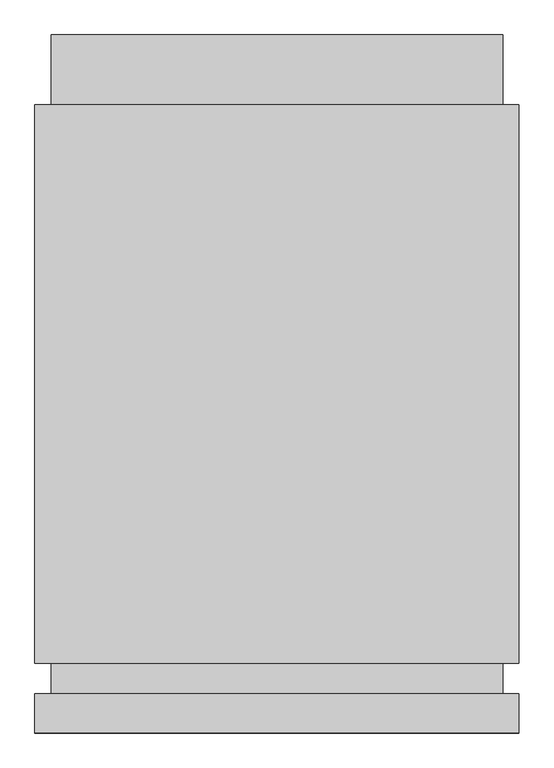
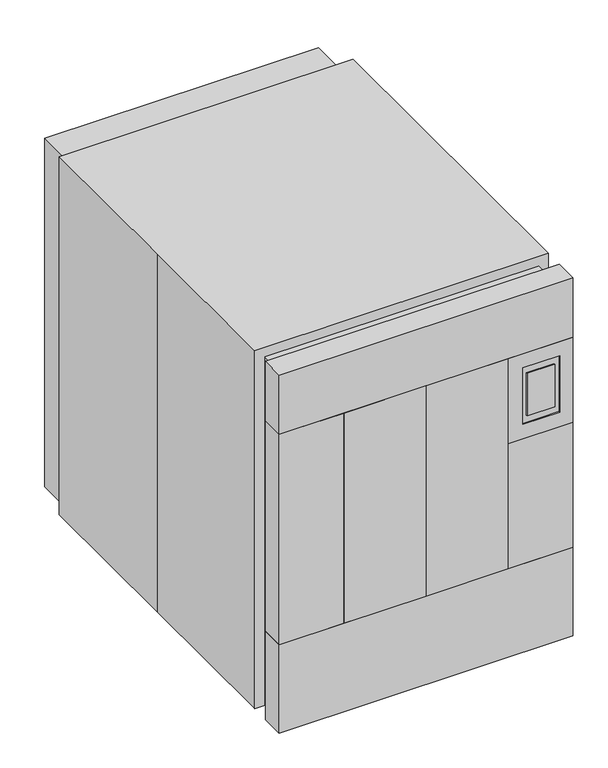
"""IFC4 building model written with IfcOpenShell, lengths in millimetres: proxy geometry."""

from ifc_helpers import new_model, si_unit, frame, origin, origin_with_axes, place, context, project, spatial, polyline, outline, extrude, faceted_brep, source, transform, mapped, element, save


def specialty_equipment_af0934ef(model_context):
    return source(origin(), model_context, "Body", "SolidModel", [
        extrude(outline(polyline([(0.0, -1079.5), (-419.1631749, -1079.5), (-419.1631749, -958.6794699), (0.0, -958.6794699), (0.0, -1079.5)])), frame((0.0, 0.0, 476.6664622), z_axis=(0.0, 0.0, 1.0), x_axis=(1.0, 0.0, 0.0)), (0.0, 0.0, 1.0), 1133.2628384),
        extrude(outline(polyline([(698.5, -958.6794699), (-698.5, -958.6794699), (-698.5, 1079.5), (698.5, 1079.5), (698.5, -958.6794699)])), origin_with_axes(), (0.0, 0.0, 1.0), 1879.6),
        extrude(outline(polyline([(749.3, -1079.5), (-749.3, -1079.5), (-749.3, -958.6794699), (749.3, -958.6794699), (749.3, -1079.5)])), frame((0.0, 0.0, 1609.9293006), z_axis=(0.0, 0.0, 1.0), x_axis=(1.0, 0.0, 0.0)), (0.0, 0.0, 1.0), 320.4706994),
        extrude(outline(polyline([(-419.1631749, -1079.5), (-749.3, -1079.5), (-749.3, -958.6794699), (-419.1631749, -958.6794699), (-419.1631749, -1079.5)])), frame((0.0, 0.0, 476.6664622), z_axis=(0.0, 0.0, 1.0), x_axis=(1.0, 0.0, 0.0)), (0.0, 0.0, 1.0), 1133.2628384),
        extrude(outline(polyline([(419.1631749, -1079.5), (0.0, -1079.5), (0.0, -958.6794699), (419.1631749, -958.6794699), (419.1631749, -1079.5)])), frame((0.0, 0.0, 476.6664622), z_axis=(0.0, 0.0, 1.0), x_axis=(1.0, 0.0, 0.0)), (0.0, 0.0, 1.0), 1133.2628384),
        faceted_brep([(749.3, -1079.5, 1609.9293006), (419.1631749, -1079.5, 1609.9293006), (419.1631749, -1079.5, 1151.2814711), (749.3, -1079.5, 1151.2814711), (495.3631749, -1079.5, 1533.7293006), (682.1512009, -1079.5, 1533.7293006), (682.1512009, -1079.5, 1228.9293006), (495.3631749, -1079.5, 1228.9293006), (656.7512009, -1079.5, 1267.0293006), (656.7512009, -1079.5, 1495.6293006), (516.8361302, -1079.5, 1495.6293006), (516.8361302, -1079.5, 1267.0293006), (749.3, -958.6794699, 1609.9293006), (749.3, -958.6794699, 1151.2814711), (419.1631749, -958.6794699, 1151.2814711), (419.1631749, -958.6794699, 1609.9293006), (682.1512009, -1073.15, 1533.7293006), (495.3631749, -1073.15, 1533.7293006), (495.3631749, -1073.15, 1228.9293006), (682.1512009, -1073.15, 1228.9293006), (656.7512009, -1073.15, 1495.6293006), (656.7512009, -1073.15, 1267.0293006), (516.8361302, -1073.15, 1267.0293006), (516.8361302, -1073.15, 1495.6293006)], [[[0, 1, 2, 3], [4, 5, 6, 7]], [[8, 9, 10, 11]], [[12, 13, 14, 15]], [[1, 0, 12, 15]], [[2, 1, 15, 14]], [[3, 2, 14, 13]], [[0, 3, 13, 12]], [[16, 17, 18, 19], [20, 21, 22, 23]], [[17, 16, 5, 4]], [[18, 17, 4, 7]], [[19, 18, 7, 6]], [[16, 19, 6, 5]], [[21, 20, 9, 8]], [[22, 21, 8, 11]], [[23, 22, 11, 10]], [[20, 23, 10, 9]]]),
        faceted_brep([(749.3, -1079.5, 1609.9293006), (419.1631749, -1079.5, 1609.9293006), (419.1631749, -1079.5, 476.6664622), (749.3, -1079.5, 476.6664622), (495.3631749, -1079.5, 1533.7293006), (682.1512009, -1079.5, 1533.7293006), (682.1512009, -1079.5, 1228.9293006), (495.3631749, -1079.5, 1228.9293006), (656.7512009, -1079.5, 1267.0293006), (656.7512009, -1079.5, 1495.6293006), (516.8361302, -1079.5, 1495.6293006), (516.8361302, -1079.5, 1267.0293006), (749.3, -958.6794699, 1609.9293006), (749.3, -958.6794699, 476.6664622), (419.1631749, -958.6794699, 476.6664622), (419.1631749, -958.6794699, 1609.9293006), (682.1512009, -1073.15, 1533.7293006), (495.3631749, -1073.15, 1533.7293006), (495.3631749, -1073.15, 1228.9293006), (682.1512009, -1073.15, 1228.9293006), (656.7512009, -1073.15, 1495.6293006), (656.7512009, -1073.15, 1267.0293006), (516.8361302, -1073.15, 1267.0293006), (516.8361302, -1073.15, 1495.6293006)], [[[0, 1, 2, 3], [4, 5, 6, 7]], [[8, 9, 10, 11]], [[12, 13, 14, 15]], [[1, 0, 12, 15]], [[2, 1, 15, 14]], [[3, 2, 14, 13]], [[0, 3, 13, 12]], [[16, 17, 18, 19], [20, 21, 22, 23]], [[17, 16, 5, 4]], [[18, 17, 4, 7]], [[19, 18, 7, 6]], [[16, 19, 6, 5]], [[21, 20, 9, 8]], [[22, 21, 8, 11]], [[23, 22, 11, 10]], [[20, 23, 10, 9]]]),
        extrude(outline(polyline([(749.3, -1079.5), (-749.3, -1079.5), (-749.3, -958.6794699), (749.3, -958.6794699), (749.3, -1079.5)])), origin_with_axes(), (0.0, 0.0, 1.0), 476.6664622),
        faceted_brep([(-749.3, 863.6, 1930.4), (-749.3, 0.0, 1930.4), (-749.3, -863.6, 1930.4), (749.3, -863.6, 1930.4), (749.3, 863.6, 1930.4), (-749.3, 863.6, 0.0), (749.3, 863.6, 0.0), (749.3, -860.425, 0.0), (749.3, -863.6, 0.0), (-749.3, -863.6, 0.0), (-749.3, -860.425, 0.0), (-749.3, 0.0, 0.0), (-749.3, 863.6, 1870.075), (-749.3, 0.0, 1870.075), (749.3, 863.6, 1870.075)], [[[0, 1, 2, 3, 4]], [[5, 6, 7, 8, 9, 10, 11]], [[1, 0, 12, 5, 11, 13]], [[2, 1, 13, 11, 10, 9]], [[3, 2, 9, 8]], [[4, 3, 8, 7, 6, 14]], [[0, 4, 14, 6, 5, 12]]]),
    ])


if __name__ == "__main__":
    model = new_model("IFC4")
    model_context = context("Model", 3, world=origin())
    ifc_project = project(units=[si_unit("LENGTHUNIT", "METRE", prefix="MILLI")], contexts=[model_context])
    site = spatial("IfcSite", under=ifc_project)
    building = spatial("IfcBuilding", under=site)
    placement = place(None, origin())
    specialty_equipment_shape = specialty_equipment_af0934ef(model_context)
    element("IfcBuildingElementProxy", 1, Name="Specialty Equipment", at=placement, inside=building, context=model_context, shape_type="MappedRepresentation", body=[
        mapped(specialty_equipment_shape, transform((0.0, 0.0, 0.0), x_axis=(1.0, 0.0, 0.0), y_axis=(0.0, 1.0, 0.0), z_axis=(0.0, 0.0, 1.0))),
    ])
    save(model, "model.ifc")
